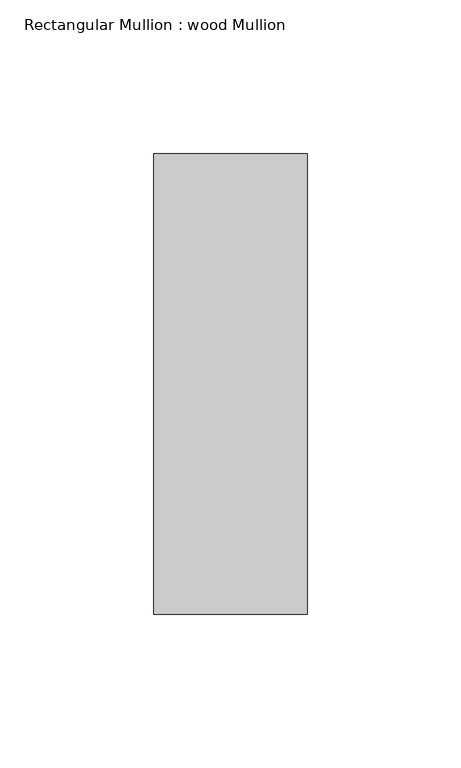
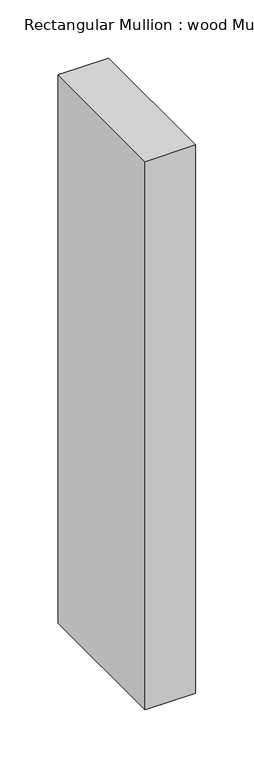
"""IFC4 building model written with IfcOpenShell, lengths in millimetres: member geometry, Rectangular Mullion : wood Mullion."""

import ifcopenshell
import ifcopenshell.guid

model = None  # the IFC model being written
_history = None  # IfcOwnerHistory: only IFC2X3 demands one
_inside = {}  # id of a spatial element -> (the spatial element, [elements in it])
_under = {}  # id of a project, library or spatial element -> (it, [spatial elements below it])
_declared = {}  # id of a project -> (the project, [libraries it declares])
_typed = {}  # id of a type object -> (the type object, [elements of that type])
_made_of = {}  # id of a material, layer set ... -> (it, [elements and type objects made of it])


def new_model(schema):
    """Start an empty IFC model of exactly this schema.

    Asked for "IFC4X3", IfcOpenShell would pick the latest addendum, in which some entities
    have other attributes; the version numbers below select the first issue.
    IFC2X3 requires an IfcOwnerHistory on every rooted entity: one is made here for all.
    """
    global model, _history
    if schema == "IFC4X3":
        model = ifcopenshell.file(schema_version=(4, 3, 0, 0))
    else:
        model = ifcopenshell.file(schema=schema)
    _inside.clear()
    _under.clear()
    _declared.clear()
    _typed.clear()
    _made_of.clear()
    _history = None
    if model.schema == "IFC2X3":
        org = make("IfcOrganization", Name="unknown")
        user = make(
            "IfcPersonAndOrganization",
            ThePerson=make("IfcPerson", FamilyName="unknown"),
            TheOrganization=org,
        )
        app = make(
            "IfcApplication",
            ApplicationDeveloper=org,
            Version="unknown",
            ApplicationFullName="unknown",
            ApplicationIdentifier="unknown",
        )
        _history = make(
            "IfcOwnerHistory",
            OwningUser=user,
            OwningApplication=app,
            ChangeAction="ADDED",
            CreationDate=0,
        )
    return model


def make(cls, **values):
    """One entity of the class cls with the attributes given. An attribute that is None is left unset."""
    return model.create_entity(
        cls, **{name: value for name, value in values.items() if value is not None}
    )


def rooted(cls, **values):
    """An entity with a GlobalId (a new one), such as an element, a storey or a relation."""
    return make(cls, GlobalId=ifcopenshell.guid.new(), OwnerHistory=_history, **values)


def si_unit(unit_type, name, prefix=None):
    """IfcSIUnit, for example si_unit("LENGTHUNIT", "METRE", prefix="MILLI")."""
    return make("IfcSIUnit", UnitType=unit_type, Prefix=prefix, Name=name)


def assignment(units):
    """IfcUnitAssignment: the units of a project."""
    return None if units is None else make("IfcUnitAssignment", Units=units)


def point(xyz):
    """IfcCartesianPoint."""
    return None if xyz is None else make("IfcCartesianPoint", Coordinates=xyz)


def direction(xyz):
    """IfcDirection."""
    return None if xyz is None else make("IfcDirection", DirectionRatios=xyz)


def frame(location, z_axis=None, x_axis=None):
    """IfcAxis2Placement3D, a coordinate frame: its origin and axes. An axis left out is left unset."""
    return make(
        "IfcAxis2Placement3D",
        Location=point(location),
        Axis=direction(z_axis),
        RefDirection=direction(x_axis),
    )


def origin():
    """The frame at (0, 0, 0) with its axes left unset."""
    return frame((0.0, 0.0, 0.0))


def place(relative_to, where):
    """IfcLocalPlacement: puts the frame where relative to a parent placement (None: the world)."""
    return make(
        "IfcLocalPlacement", PlacementRelTo=relative_to, RelativePlacement=where
    )


def context(
    kind, dimensions, precision=None, world=None, true_north=None, identifier=None
):
    """IfcGeometricRepresentationContext, for example the 3D "Model" context."""
    return make(
        "IfcGeometricRepresentationContext",
        ContextIdentifier=identifier,
        ContextType=kind,
        CoordinateSpaceDimension=dimensions,
        Precision=precision,
        WorldCoordinateSystem=world,
        TrueNorth=true_north,
    )


def project(units=None, contexts=None):
    """IfcProject with its units and contexts."""
    return rooted(
        "IfcProject",
        Name="project",
        RepresentationContexts=contexts,
        UnitsInContext=assignment(units),
    )


def spatial(cls, under=None, at=None, **own):
    """A site, building, storey or space (cls), placed at a placement, below another one or the project."""
    s = rooted(cls, ObjectPlacement=at, **own)
    if under is not None:
        _under.setdefault(under.id(), (under, []))[1].append(s)
    return s


def polyline(points):
    """IfcPolyline through the points."""
    return make("IfcPolyline", Points=[point(p) for p in points])


def outline(outer, holes=None, kind="AREA"):
    """IfcArbitraryClosedProfileDef: a profile drawn as a closed curve; with holes, ...WithVoids."""
    if holes is None:
        return make("IfcArbitraryClosedProfileDef", ProfileType=kind, OuterCurve=outer)
    return make(
        "IfcArbitraryProfileDefWithVoids",
        ProfileType=kind,
        OuterCurve=outer,
        InnerCurves=holes,
    )


def extrude(swept, where, along, depth):
    """IfcExtrudedAreaSolid: the profile swept, set in the frame where, extruded along a direction by depth."""
    return make(
        "IfcExtrudedAreaSolid",
        SweptArea=swept,
        Position=where,
        ExtrudedDirection=direction(along),
        Depth=depth,
    )


def shape(context_of_items, identifier, shape_type, items):
    """IfcShapeRepresentation: the items that make up one representation, for example the "Body"."""
    return make(
        "IfcShapeRepresentation",
        ContextOfItems=context_of_items,
        RepresentationIdentifier=identifier,
        RepresentationType=shape_type,
        Items=items,
    )


def source(mapping_origin, context_of_items, identifier, shape_type, items):
    """IfcRepresentationMap: a shape defined once, which mapped items show again and again."""
    return make(
        "IfcRepresentationMap",
        MappingOrigin=mapping_origin,
        MappedRepresentation=shape(context_of_items, identifier, shape_type, items),
    )


def transform(
    local_origin,
    x_axis=None,
    y_axis=None,
    z_axis=None,
    scale=None,
    scale2=None,
    scale3=None,
    uniform=True,
):
    """IfcCartesianTransformationOperator3D, or its non-uniform kind. x_axis, y_axis, z_axis: its Axis1, 2, 3."""
    if uniform:
        return make(
            "IfcCartesianTransformationOperator3D",
            Axis1=direction(x_axis),
            Axis2=direction(y_axis),
            LocalOrigin=point(local_origin),
            Scale=scale,
            Axis3=direction(z_axis),
        )
    return make(
        "IfcCartesianTransformationOperator3DnonUniform",
        Axis1=direction(x_axis),
        Axis2=direction(y_axis),
        LocalOrigin=point(local_origin),
        Scale=scale,
        Axis3=direction(z_axis),
        Scale2=scale2,
        Scale3=scale3,
    )


def mapped(mapping_source, mapping_target):
    """IfcMappedItem: shows the shape of a source again, moved by a transform."""
    return make(
        "IfcMappedItem", MappingSource=mapping_source, MappingTarget=mapping_target
    )


def made_of(thing, what):
    """Note that an element or type object is made of a material, layer set ...; save() writes the relation."""
    if what is not None:
        _made_of.setdefault(what.id(), (what, []))[1].append(thing)
    return thing


def element(
    cls,
    number,
    at=None,
    inside=None,
    cuts=None,
    type_object=None,
    material=None,
    context=None,
    identifier="Body",
    shape_type=None,
    held_by="IfcProductDefinitionShape",
    body=None,
    shapes=None,
    **own,
):
    """One element of the class cls, such as IfcWall. Its Tag is "e" and its number.

    at: its placement. inside: the storey or other place that contains it. cuts: it is an
    opening in that element (IfcRelVoidsElement). A single representation is given by context,
    identifier, shape_type and body (its items); several are given by shapes. held_by: the class
    of the entity that holds the representations. save() writes the other relations.
    """
    e = rooted(cls, Tag="e%d" % number, ObjectPlacement=at, **own)
    if body is not None:
        shapes = [shape(context, identifier, shape_type, body)]
    if shapes is not None:
        e.Representation = make(held_by, Representations=shapes)
    if inside is not None:
        _inside.setdefault(inside.id(), (inside, []))[1].append(e)
    if cuts is not None:
        rooted(
            "IfcRelVoidsElement", RelatingBuildingElement=cuts, RelatedOpeningElement=e
        )
    if type_object is not None:
        _typed.setdefault(type_object.id(), (type_object, []))[1].append(e)
    return made_of(e, material)


def aggregate(whole, parts):
    """IfcRelAggregates: a whole, such as a stair, and the parts it consists of."""
    return rooted("IfcRelAggregates", RelatingObject=whole, RelatedObjects=parts)


def save(model, path):
    """Write the relations noted so far, then the file.

    IfcRelAggregates (storeys below a building ...), IfcRelContainedInSpatialStructure (elements
    in a storey), IfcRelDefinesByType, IfcRelAssociatesMaterial and IfcRelDeclares: one each for
    every whole, place, type object, material and project.
    """
    for whole, parts in _under.values():
        aggregate(whole, parts)
    for where, things in _inside.values():
        rooted(
            "IfcRelContainedInSpatialStructure",
            RelatedElements=things,
            RelatingStructure=where,
        )
    for kind, things in _typed.values():
        rooted("IfcRelDefinesByType", RelatedObjects=things, RelatingType=kind)
    for what, things in _made_of.values():
        rooted("IfcRelAssociatesMaterial", RelatedObjects=things, RelatingMaterial=what)
    for by, libraries in _declared.values():
        rooted("IfcRelDeclares", RelatingContext=by, RelatedDefinitions=libraries)
    model.write(path)


def rectangular_mullion_wood_mullion_1a1f02c3(model_context):
    return source(origin(), model_context, "Body", "SweptSolid", [
        extrude(outline(polyline([(0.0, 75.0), (0.0, -75.0), (-50.0, -75.0), (-50.0, 75.0), (0.0, 75.0)])), frame((0.0, 0.0, -575.0), z_axis=(0.0, 0.0, 1.0), x_axis=(1.0, 0.0, 0.0)), (0.0, 0.0, 1.0), 575.0),
    ])


if __name__ == "__main__":
    model = new_model("IFC4")
    model_context = context("Model", 3, world=origin())
    ifc_project = project(units=[si_unit("LENGTHUNIT", "METRE", prefix="MILLI")], contexts=[model_context])
    site = spatial("IfcSite", under=ifc_project)
    building = spatial("IfcBuilding", under=site)
    placement = place(None, origin())
    rectangular_mullion_wood_mullion_shape = rectangular_mullion_wood_mullion_1a1f02c3(model_context)
    element("IfcMember", 1, ObjectType="Rectangular Mullion : wood Mullion", at=placement, inside=building, context=model_context, shape_type="MappedRepresentation", body=[
        mapped(rectangular_mullion_wood_mullion_shape, transform((0.0, 0.0, 0.0), x_axis=(1.0, 0.0, 0.0), y_axis=(0.0, 1.0, 0.0), z_axis=(0.0, 0.0, 1.0))),
    ])
    save(model, "model.ifc")
